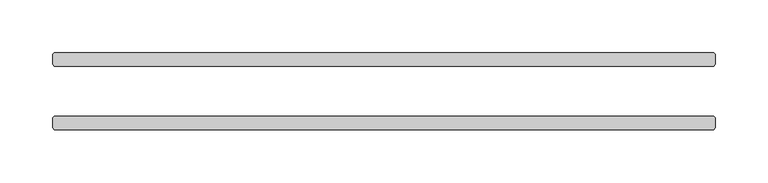
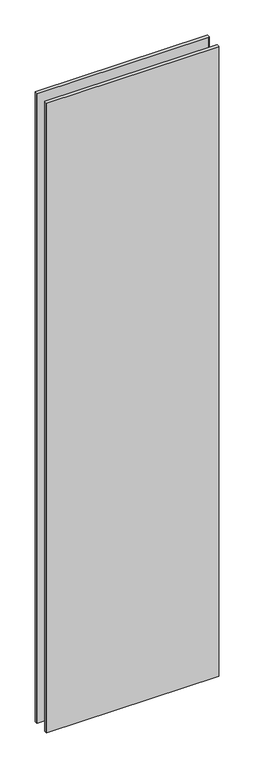
"""IFC4 building model written with IfcOpenShell, lengths in millimetres: plate geometry."""

from ifc_helpers import new_model, si_unit, origin, origin_with_axes, place, context, project, spatial, polyline, outline, extrude, source, transform, mapped, element, save


def plate_85270856(model_context):
    return source(origin(), model_context, "Body", "SweptSolid", [
        extrude(outline(polyline([(313.134375, 23.8125), (-313.134375, 23.8125), (-314.721875, 25.4), (-314.721875, 34.925), (-313.134375, 36.5125), (313.134375, 36.5125), (314.721875, 34.925), (314.721875, 25.4), (313.134375, 23.8125)])), origin_with_axes(), (0.0, 0.0, 1.0), 2428.7789267),
        extrude(outline(polyline([(313.134375, -36.5125), (-313.134375, -36.5125), (-314.721875, -34.925), (-314.721875, -25.4), (-313.134375, -23.8125), (313.134375, -23.8125), (314.721875, -25.4), (314.721875, -34.925), (313.134375, -36.5125)])), origin_with_axes(), (0.0, 0.0, 1.0), 2428.7789267),
    ])


if __name__ == "__main__":
    model = new_model("IFC4")
    model_context = context("Model", 3, world=origin())
    ifc_project = project(units=[si_unit("LENGTHUNIT", "METRE", prefix="MILLI")], contexts=[model_context])
    site = spatial("IfcSite", under=ifc_project)
    building = spatial("IfcBuilding", under=site)
    placement = place(None, origin())
    plate_shape = plate_85270856(model_context)
    element("IfcPlate", 1, at=placement, inside=building, context=model_context, shape_type="MappedRepresentation", body=[
        mapped(plate_shape, transform((0.0, 0.0, 0.0), x_axis=(1.0, 0.0, 0.0), y_axis=(0.0, 1.0, 0.0), z_axis=(0.0, 0.0, 1.0))),
    ])
    save(model, "model.ifc")
